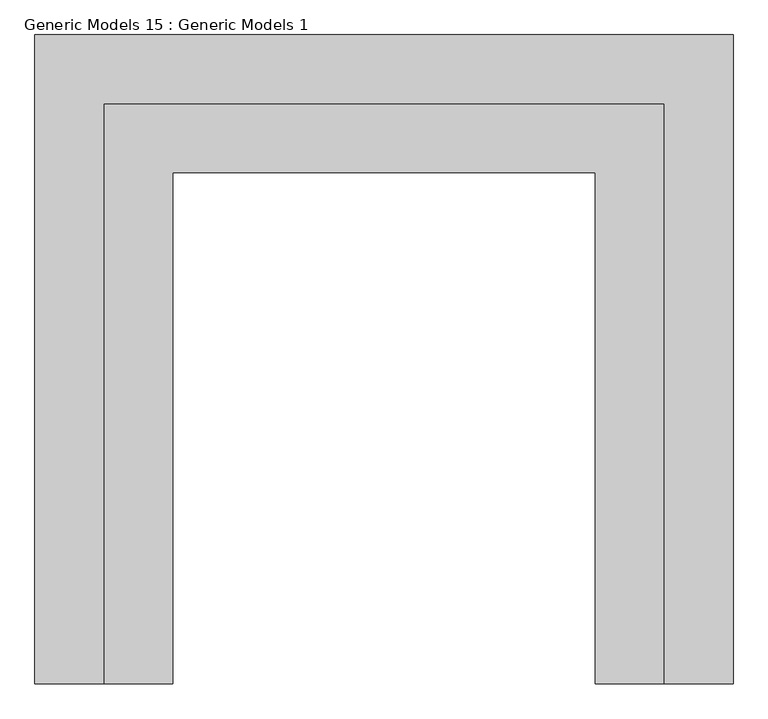
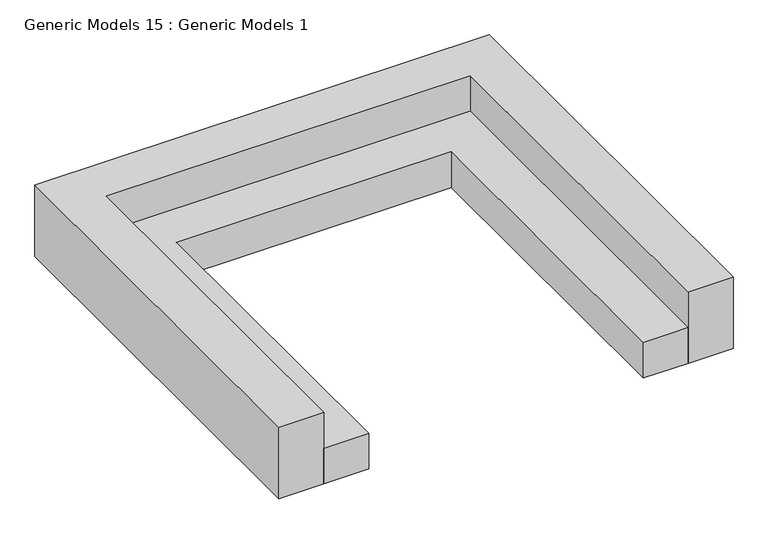
"""IFC4 building model written with IfcOpenShell, lengths in millimetres: proxy geometry, Generic Models 15 : Generic Models 1."""

import ifcopenshell
import ifcopenshell.guid

model = None  # the IFC model being written
_history = None  # IfcOwnerHistory: only IFC2X3 demands one
_inside = {}  # id of a spatial element -> (the spatial element, [elements in it])
_under = {}  # id of a project, library or spatial element -> (it, [spatial elements below it])
_declared = {}  # id of a project -> (the project, [libraries it declares])
_typed = {}  # id of a type object -> (the type object, [elements of that type])
_made_of = {}  # id of a material, layer set ... -> (it, [elements and type objects made of it])


def new_model(schema):
    """Start an empty IFC model of exactly this schema.

    Asked for "IFC4X3", IfcOpenShell would pick the latest addendum, in which some entities
    have other attributes; the version numbers below select the first issue.
    IFC2X3 requires an IfcOwnerHistory on every rooted entity: one is made here for all.
    """
    global model, _history
    if schema == "IFC4X3":
        model = ifcopenshell.file(schema_version=(4, 3, 0, 0))
    else:
        model = ifcopenshell.file(schema=schema)
    _inside.clear()
    _under.clear()
    _declared.clear()
    _typed.clear()
    _made_of.clear()
    _history = None
    if model.schema == "IFC2X3":
        org = make("IfcOrganization", Name="unknown")
        user = make(
            "IfcPersonAndOrganization",
            ThePerson=make("IfcPerson", FamilyName="unknown"),
            TheOrganization=org,
        )
        app = make(
            "IfcApplication",
            ApplicationDeveloper=org,
            Version="unknown",
            ApplicationFullName="unknown",
            ApplicationIdentifier="unknown",
        )
        _history = make(
            "IfcOwnerHistory",
            OwningUser=user,
            OwningApplication=app,
            ChangeAction="ADDED",
            CreationDate=0,
        )
    return model


def make(cls, **values):
    """One entity of the class cls with the attributes given. An attribute that is None is left unset."""
    return model.create_entity(
        cls, **{name: value for name, value in values.items() if value is not None}
    )


def rooted(cls, **values):
    """An entity with a GlobalId (a new one), such as an element, a storey or a relation."""
    return make(cls, GlobalId=ifcopenshell.guid.new(), OwnerHistory=_history, **values)


def si_unit(unit_type, name, prefix=None):
    """IfcSIUnit, for example si_unit("LENGTHUNIT", "METRE", prefix="MILLI")."""
    return make("IfcSIUnit", UnitType=unit_type, Prefix=prefix, Name=name)


def assignment(units):
    """IfcUnitAssignment: the units of a project."""
    return None if units is None else make("IfcUnitAssignment", Units=units)


def point(xyz):
    """IfcCartesianPoint."""
    return None if xyz is None else make("IfcCartesianPoint", Coordinates=xyz)


def direction(xyz):
    """IfcDirection."""
    return None if xyz is None else make("IfcDirection", DirectionRatios=xyz)


def frame(location, z_axis=None, x_axis=None):
    """IfcAxis2Placement3D, a coordinate frame: its origin and axes. An axis left out is left unset."""
    return make(
        "IfcAxis2Placement3D",
        Location=point(location),
        Axis=direction(z_axis),
        RefDirection=direction(x_axis),
    )


def origin():
    """The frame at (0, 0, 0) with its axes left unset."""
    return frame((0.0, 0.0, 0.0))


def origin_with_axes():
    """The frame at (0, 0, 0) with the z axis (0, 0, 1) and the x axis (1, 0, 0) written out."""
    return frame((0.0, 0.0, 0.0), z_axis=(0.0, 0.0, 1.0), x_axis=(1.0, 0.0, 0.0))


def place(relative_to, where):
    """IfcLocalPlacement: puts the frame where relative to a parent placement (None: the world)."""
    return make(
        "IfcLocalPlacement", PlacementRelTo=relative_to, RelativePlacement=where
    )


def context(
    kind, dimensions, precision=None, world=None, true_north=None, identifier=None
):
    """IfcGeometricRepresentationContext, for example the 3D "Model" context."""
    return make(
        "IfcGeometricRepresentationContext",
        ContextIdentifier=identifier,
        ContextType=kind,
        CoordinateSpaceDimension=dimensions,
        Precision=precision,
        WorldCoordinateSystem=world,
        TrueNorth=true_north,
    )


def project(units=None, contexts=None):
    """IfcProject with its units and contexts."""
    return rooted(
        "IfcProject",
        Name="project",
        RepresentationContexts=contexts,
        UnitsInContext=assignment(units),
    )


def spatial(cls, under=None, at=None, **own):
    """A site, building, storey or space (cls), placed at a placement, below another one or the project."""
    s = rooted(cls, ObjectPlacement=at, **own)
    if under is not None:
        _under.setdefault(under.id(), (under, []))[1].append(s)
    return s


def polyline(points):
    """IfcPolyline through the points."""
    return make("IfcPolyline", Points=[point(p) for p in points])


def outline(outer, holes=None, kind="AREA"):
    """IfcArbitraryClosedProfileDef: a profile drawn as a closed curve; with holes, ...WithVoids."""
    if holes is None:
        return make("IfcArbitraryClosedProfileDef", ProfileType=kind, OuterCurve=outer)
    return make(
        "IfcArbitraryProfileDefWithVoids",
        ProfileType=kind,
        OuterCurve=outer,
        InnerCurves=holes,
    )


def extrude(swept, where, along, depth):
    """IfcExtrudedAreaSolid: the profile swept, set in the frame where, extruded along a direction by depth."""
    return make(
        "IfcExtrudedAreaSolid",
        SweptArea=swept,
        Position=where,
        ExtrudedDirection=direction(along),
        Depth=depth,
    )


def shape(context_of_items, identifier, shape_type, items):
    """IfcShapeRepresentation: the items that make up one representation, for example the "Body"."""
    return make(
        "IfcShapeRepresentation",
        ContextOfItems=context_of_items,
        RepresentationIdentifier=identifier,
        RepresentationType=shape_type,
        Items=items,
    )


def source(mapping_origin, context_of_items, identifier, shape_type, items):
    """IfcRepresentationMap: a shape defined once, which mapped items show again and again."""
    return make(
        "IfcRepresentationMap",
        MappingOrigin=mapping_origin,
        MappedRepresentation=shape(context_of_items, identifier, shape_type, items),
    )


def transform(
    local_origin,
    x_axis=None,
    y_axis=None,
    z_axis=None,
    scale=None,
    scale2=None,
    scale3=None,
    uniform=True,
):
    """IfcCartesianTransformationOperator3D, or its non-uniform kind. x_axis, y_axis, z_axis: its Axis1, 2, 3."""
    if uniform:
        return make(
            "IfcCartesianTransformationOperator3D",
            Axis1=direction(x_axis),
            Axis2=direction(y_axis),
            LocalOrigin=point(local_origin),
            Scale=scale,
            Axis3=direction(z_axis),
        )
    return make(
        "IfcCartesianTransformationOperator3DnonUniform",
        Axis1=direction(x_axis),
        Axis2=direction(y_axis),
        LocalOrigin=point(local_origin),
        Scale=scale,
        Axis3=direction(z_axis),
        Scale2=scale2,
        Scale3=scale3,
    )


def mapped(mapping_source, mapping_target):
    """IfcMappedItem: shows the shape of a source again, moved by a transform."""
    return make(
        "IfcMappedItem", MappingSource=mapping_source, MappingTarget=mapping_target
    )


def made_of(thing, what):
    """Note that an element or type object is made of a material, layer set ...; save() writes the relation."""
    if what is not None:
        _made_of.setdefault(what.id(), (what, []))[1].append(thing)
    return thing


def element(
    cls,
    number,
    at=None,
    inside=None,
    cuts=None,
    type_object=None,
    material=None,
    context=None,
    identifier="Body",
    shape_type=None,
    held_by="IfcProductDefinitionShape",
    body=None,
    shapes=None,
    **own,
):
    """One element of the class cls, such as IfcWall. Its Tag is "e" and its number.

    at: its placement. inside: the storey or other place that contains it. cuts: it is an
    opening in that element (IfcRelVoidsElement). A single representation is given by context,
    identifier, shape_type and body (its items); several are given by shapes. held_by: the class
    of the entity that holds the representations. save() writes the other relations.
    """
    e = rooted(cls, Tag="e%d" % number, ObjectPlacement=at, **own)
    if body is not None:
        shapes = [shape(context, identifier, shape_type, body)]
    if shapes is not None:
        e.Representation = make(held_by, Representations=shapes)
    if inside is not None:
        _inside.setdefault(inside.id(), (inside, []))[1].append(e)
    if cuts is not None:
        rooted(
            "IfcRelVoidsElement", RelatingBuildingElement=cuts, RelatedOpeningElement=e
        )
    if type_object is not None:
        _typed.setdefault(type_object.id(), (type_object, []))[1].append(e)
    return made_of(e, material)


def aggregate(whole, parts):
    """IfcRelAggregates: a whole, such as a stair, and the parts it consists of."""
    return rooted("IfcRelAggregates", RelatingObject=whole, RelatedObjects=parts)


def save(model, path):
    """Write the relations noted so far, then the file.

    IfcRelAggregates (storeys below a building ...), IfcRelContainedInSpatialStructure (elements
    in a storey), IfcRelDefinesByType, IfcRelAssociatesMaterial and IfcRelDeclares: one each for
    every whole, place, type object, material and project.
    """
    for whole, parts in _under.values():
        aggregate(whole, parts)
    for where, things in _inside.values():
        rooted(
            "IfcRelContainedInSpatialStructure",
            RelatedElements=things,
            RelatingStructure=where,
        )
    for kind, things in _typed.values():
        rooted("IfcRelDefinesByType", RelatedObjects=things, RelatingType=kind)
    for what, things in _made_of.values():
        rooted("IfcRelAssociatesMaterial", RelatedObjects=things, RelatingMaterial=what)
    for by, libraries in _declared.values():
        rooted("IfcRelDeclares", RelatingContext=by, RelatedDefinitions=libraries)
    model.write(path)


def generic_models_15_generic_models_1_89e261c4(model_context):
    return source(origin(), model_context, "Body", "SweptSolid", [
        extrude(outline(polyline([(458632.6943921, -325934.5926499), (458632.6943921, -329995.4176499), (458150.0943921, -329995.4176499), (458150.0943921, -326417.1926499), (455194.3778208, -326417.1926499), (455194.3778208, -329995.4176499), (454711.7778208, -329995.4176499), (454711.7778208, -325934.5926499), (458632.6943921, -325934.5926499)])), origin_with_axes(), (0.0, 0.0, 1.0), 406.4),
        extrude(outline(polyline([(454711.7778208, -325934.5926499), (454711.7778208, -329995.4176499), (454229.1778208, -329995.4176499), (454229.1778208, -325451.9926499), (459115.2943921, -325451.9926499), (459115.2943921, -329995.4176499), (458632.6943921, -329995.4176499), (458632.6943921, -325934.5926499), (454711.7778208, -325934.5926499)])), origin_with_axes(), (0.0, 0.0, 1.0), 812.8),
    ])


if __name__ == "__main__":
    model = new_model("IFC4")
    model_context = context("Model", 3, world=origin())
    ifc_project = project(units=[si_unit("LENGTHUNIT", "METRE", prefix="MILLI")], contexts=[model_context])
    site = spatial("IfcSite", under=ifc_project)
    building = spatial("IfcBuilding", under=site)
    placement = place(None, origin())
    generic_models_15_generic_models_1_shape = generic_models_15_generic_models_1_89e261c4(model_context)
    element("IfcBuildingElementProxy", 1, Name="Generic Models 15 : Generic Models 1", ObjectType="Generic Models 15 : Generic Models 1", at=placement, inside=building, context=model_context, shape_type="MappedRepresentation", body=[
        mapped(generic_models_15_generic_models_1_shape, transform((0.0, 0.0, 0.0), x_axis=(1.0, 0.0, 0.0), y_axis=(0.0, 1.0, 0.0), z_axis=(0.0, 0.0, 1.0))),
    ])
    save(model, "model.ifc")
